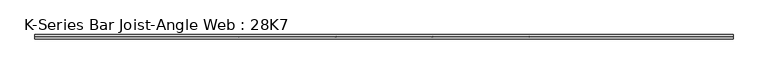
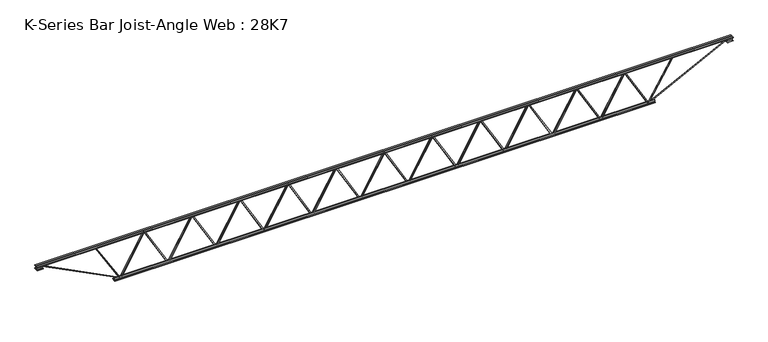
"""IFC4 building model written with IfcOpenShell, lengths in millimetres: beam geometry, K-Series Bar Joist-Angle Web : 28K7."""

from ifc_helpers import new_model, si_unit, frame, origin, place, context, project, spatial, polyline, outline, extrude, faceted_brep, source, transform, mapped, element, save


def k_series_bar_joist_angle_web_28k7_4ce45398(model_context):
    return source(origin(), model_context, "Body", "SolidModel", [
        extrude(outline(polyline([(-4.7625, 4.7625), (-4.7625, 0.0), (-17.4625, 0.0), (-17.4625, 4.7625), (-4.7625, 4.7625)])), frame((3648.3046337, 0.0, -317.5), z_axis=(-0.5002639369476142, 0.0, 0.8658729660808644), x_axis=(0.0, -1.0, 0.0)), (0.0, 0.0, 1.0), 733.3639285),
        extrude(outline(polyline([(-352.425, 3680.3301136), (-333.375, 3680.3301136), (-333.375, 3679.4774397), (352.425, 3283.2518715), (352.425, 3265.0545455), (333.375, 3265.0545455), (333.375, 3272.2572194), (-352.425, 3668.4827876), (-352.425, 3680.3301136)])), frame((0.0, 0.0, 0.0), z_axis=(0.0, 1.0, 0.0), x_axis=(0.0, 0.0, 1.0)), (0.0, 0.0, 1.0), 4.7625),
        faceted_brep([(2862.4789773, 0.0, -333.375), (2862.4789773, 0.0, -352.425), (2862.4789773, -4.7625, -352.425), (2862.4789773, -4.7625, -333.375), (2863.3316512, 0.0, -333.375), (3259.5572194, 0.0, 352.425), (3277.7545455, 0.0, 352.425), (3277.7545455, 0.0, 333.375), (3270.5518715, 0.0, 333.375), (2874.3263033, 0.0, -352.425), (2874.3263033, -4.7625, -352.425), (2894.5044572, -4.7625, -317.5), (2890.3807372, -4.7625, -315.117493), (3257.2562633, -4.7625, 319.882507), (3261.3799833, -4.7625, 317.5), (3270.5518715, -4.7625, 333.375), (3277.7545455, -4.7625, 333.375), (3277.7545455, -4.7625, 352.425), (3259.5572194, -4.7625, 352.425), (2863.3316512, -4.7625, -333.375), (3261.3799833, -17.4625, 317.5), (2894.5044572, -17.4625, -317.5), (2890.3807372, -17.4625, -315.117493), (3257.2562633, -17.4625, 319.882507)], [[[0, 1, 2, 3]], [[1, 0, 4, 5, 6, 7, 8, 9]], [[2, 1, 9, 10]], [[3, 2, 10, 11, 12, 13, 14, 15, 16, 17, 18, 19]], [[0, 3, 19, 4]], [[9, 8, 15, 14, 20, 21, 11, 10]], [[5, 4, 19, 18]], [[7, 6, 17, 16]], [[8, 7, 16, 15]], [[6, 5, 18, 17]], [[21, 22, 12, 11]], [[20, 14, 13, 23]], [[22, 21, 20, 23]], [[12, 22, 23, 13]]]),
        extrude(outline(polyline([(-4.7625, 4.7625), (-4.7625, 0.0), (-17.4625, 0.0), (-17.4625, 4.7625), (-4.7625, 4.7625)])), frame((2830.4534973, 0.0, -317.5), z_axis=(-0.5002639369476142, 0.0, 0.8658729660808644), x_axis=(0.0, -1.0, 0.0)), (0.0, 0.0, 1.0), 733.3639285),
        extrude(outline(polyline([(-352.425, 2862.4789773), (-333.375, 2862.4789773), (-333.375, 2861.6263033), (352.425, 2465.4007351), (352.425, 2447.2034091), (333.375, 2447.2034091), (333.375, 2454.4060831), (-352.425, 2850.6316512), (-352.425, 2862.4789773)])), frame((0.0, 0.0, 0.0), z_axis=(0.0, 1.0, 0.0), x_axis=(0.0, 0.0, 1.0)), (0.0, 0.0, 1.0), 4.7625),
        faceted_brep([(2044.6278409, 0.0, -333.375), (2044.6278409, 0.0, -352.425), (2044.6278409, -4.7625, -352.425), (2044.6278409, -4.7625, -333.375), (2045.4805149, 0.0, -333.375), (2441.7060831, 0.0, 352.425), (2459.9034091, 0.0, 352.425), (2459.9034091, 0.0, 333.375), (2452.7007351, 0.0, 333.375), (2056.4751669, 0.0, -352.425), (2056.4751669, -4.7625, -352.425), (2076.6533209, -4.7625, -317.5), (2072.5296009, -4.7625, -315.117493), (2439.405127, -4.7625, 319.882507), (2443.528847, -4.7625, 317.5), (2452.7007351, -4.7625, 333.375), (2459.9034091, -4.7625, 333.375), (2459.9034091, -4.7625, 352.425), (2441.7060831, -4.7625, 352.425), (2045.4805149, -4.7625, -333.375), (2443.528847, -17.4625, 317.5), (2076.6533209, -17.4625, -317.5), (2072.5296009, -17.4625, -315.117493), (2439.405127, -17.4625, 319.882507)], [[[0, 1, 2, 3]], [[1, 0, 4, 5, 6, 7, 8, 9]], [[2, 1, 9, 10]], [[3, 2, 10, 11, 12, 13, 14, 15, 16, 17, 18, 19]], [[0, 3, 19, 4]], [[9, 8, 15, 14, 20, 21, 11, 10]], [[5, 4, 19, 18]], [[7, 6, 17, 16]], [[8, 7, 16, 15]], [[6, 5, 18, 17]], [[21, 22, 12, 11]], [[20, 14, 13, 23]], [[22, 21, 20, 23]], [[12, 22, 23, 13]]]),
        extrude(outline(polyline([(-4.7625, 4.7625), (-4.7625, 0.0), (-17.4625, 0.0), (-17.4625, 4.7625), (-4.7625, 4.7625)])), frame((2012.6023609, 0.0, -317.5), z_axis=(-0.5002639369476142, 0.0, 0.8658729660808644), x_axis=(0.0, -1.0, 0.0)), (0.0, 0.0, 1.0), 733.3639285),
        extrude(outline(polyline([(-352.425, 2044.6278409), (-333.375, 2044.6278409), (-333.375, 2043.7751669), (352.425, 1647.5495988), (352.425, 1629.3522727), (333.375, 1629.3522727), (333.375, 1636.5549467), (-352.425, 2032.7805149), (-352.425, 2044.6278409)])), frame((0.0, 0.0, 0.0), z_axis=(0.0, 1.0, 0.0), x_axis=(0.0, 0.0, 1.0)), (0.0, 0.0, 1.0), 4.7625),
        faceted_brep([(1226.7767045, 0.0, -333.375), (1226.7767045, 0.0, -352.425), (1226.7767045, -4.7625, -352.425), (1226.7767045, -4.7625, -333.375), (1227.6293785, 0.0, -333.375), (1623.8549467, 0.0, 352.425), (1642.0522727, 0.0, 352.425), (1642.0522727, 0.0, 333.375), (1634.8495988, 0.0, 333.375), (1238.6240306, 0.0, -352.425), (1238.6240306, -4.7625, -352.425), (1258.8021845, -4.7625, -317.5), (1254.6784645, -4.7625, -315.117493), (1621.5539906, -4.7625, 319.882507), (1625.6777106, -4.7625, 317.5), (1634.8495988, -4.7625, 333.375), (1642.0522727, -4.7625, 333.375), (1642.0522727, -4.7625, 352.425), (1623.8549467, -4.7625, 352.425), (1227.6293785, -4.7625, -333.375), (1625.6777106, -17.4625, 317.5), (1258.8021845, -17.4625, -317.5), (1254.6784645, -17.4625, -315.117493), (1621.5539906, -17.4625, 319.882507)], [[[0, 1, 2, 3]], [[1, 0, 4, 5, 6, 7, 8, 9]], [[2, 1, 9, 10]], [[3, 2, 10, 11, 12, 13, 14, 15, 16, 17, 18, 19]], [[0, 3, 19, 4]], [[9, 8, 15, 14, 20, 21, 11, 10]], [[5, 4, 19, 18]], [[7, 6, 17, 16]], [[8, 7, 16, 15]], [[6, 5, 18, 17]], [[21, 22, 12, 11]], [[20, 14, 13, 23]], [[22, 21, 20, 23]], [[12, 22, 23, 13]]]),
        extrude(outline(polyline([(-4.7625, 4.7625), (-4.7625, 0.0), (-17.4625, 0.0), (-17.4625, 4.7625), (-4.7625, 4.7625)])), frame((1194.7512246, 0.0, -317.5), z_axis=(-0.5002639369476142, 0.0, 0.8658729660808644), x_axis=(0.0, -1.0, 0.0)), (0.0, 0.0, 1.0), 733.3639285),
        extrude(outline(polyline([(-352.425, 1226.7767045), (-333.375, 1226.7767045), (-333.375, 1225.9240306), (352.425, 829.6984624), (352.425, 811.5011364), (333.375, 811.5011364), (333.375, 818.7038103), (-352.425, 1214.9293785), (-352.425, 1226.7767045)])), frame((0.0, 0.0, 0.0), z_axis=(0.0, 1.0, 0.0), x_axis=(0.0, 0.0, 1.0)), (0.0, 0.0, 1.0), 4.7625),
        faceted_brep([(408.9255682, 0.0, -333.375), (408.9255682, 0.0, -352.425), (408.9255682, -4.7625, -352.425), (408.9255682, -4.7625, -333.375), (409.7782421, 0.0, -333.375), (806.0038103, 0.0, 352.425), (824.2011364, 0.0, 352.425), (824.2011364, 0.0, 333.375), (816.9984624, 0.0, 333.375), (420.7728942, 0.0, -352.425), (420.7728942, -4.7625, -352.425), (440.9510482, -4.7625, -317.5), (436.8273282, -4.7625, -315.117493), (803.7028542, -4.7625, 319.882507), (807.8265742, -4.7625, 317.5), (816.9984624, -4.7625, 333.375), (824.2011364, -4.7625, 333.375), (824.2011364, -4.7625, 352.425), (806.0038103, -4.7625, 352.425), (409.7782421, -4.7625, -333.375), (807.8265742, -17.4625, 317.5), (440.9510482, -17.4625, -317.5), (436.8273282, -17.4625, -315.117493), (803.7028542, -17.4625, 319.882507)], [[[0, 1, 2, 3]], [[1, 0, 4, 5, 6, 7, 8, 9]], [[2, 1, 9, 10]], [[3, 2, 10, 11, 12, 13, 14, 15, 16, 17, 18, 19]], [[0, 3, 19, 4]], [[9, 8, 15, 14, 20, 21, 11, 10]], [[5, 4, 19, 18]], [[7, 6, 17, 16]], [[8, 7, 16, 15]], [[6, 5, 18, 17]], [[21, 22, 12, 11]], [[20, 14, 13, 23]], [[22, 21, 20, 23]], [[12, 22, 23, 13]]]),
        extrude(outline(polyline([(-4.7625, 4.7625), (-4.7625, 0.0), (-17.4625, 0.0), (-17.4625, 4.7625), (-4.7625, 4.7625)])), frame((376.9000882, 0.0, -317.5), z_axis=(-0.5002639369476142, 0.0, 0.8658729660808644), x_axis=(0.0, -1.0, 0.0)), (0.0, 0.0, 1.0), 733.3639285),
        extrude(outline(polyline([(-352.425, 408.9255682), (-333.375, 408.9255682), (-333.375, 408.0728942), (352.425, 11.847326), (352.425, -6.35), (333.375, -6.35), (333.375, 0.852674), (-352.425, 397.0782421), (-352.425, 408.9255682)])), frame((0.0, 0.0, 0.0), z_axis=(0.0, 1.0, 0.0), x_axis=(0.0, 0.0, 1.0)), (0.0, 0.0, 1.0), 4.7625),
        faceted_brep([(-408.9255682, 0.0, -333.375), (-408.9255682, 0.0, -352.425), (-408.9255682, -4.7625, -352.425), (-408.9255682, -4.7625, -333.375), (-408.0728942, 0.0, -333.375), (-11.847326, 0.0, 352.425), (6.35, 0.0, 352.425), (6.35, 0.0, 333.375), (-0.852674, 0.0, 333.375), (-397.0782421, 0.0, -352.425), (-397.0782421, -4.7625, -352.425), (-376.9000882, -4.7625, -317.5), (-381.0238082, -4.7625, -315.117493), (-14.1482821, -4.7625, 319.882507), (-10.0245621, -4.7625, 317.5), (-0.852674, -4.7625, 333.375), (6.35, -4.7625, 333.375), (6.35, -4.7625, 352.425), (-11.847326, -4.7625, 352.425), (-408.0728942, -4.7625, -333.375), (-10.0245621, -17.4625, 317.5), (-376.9000882, -17.4625, -317.5), (-381.0238082, -17.4625, -315.117493), (-14.1482821, -17.4625, 319.882507)], [[[0, 1, 2, 3]], [[1, 0, 4, 5, 6, 7, 8, 9]], [[2, 1, 9, 10]], [[3, 2, 10, 11, 12, 13, 14, 15, 16, 17, 18, 19]], [[0, 3, 19, 4]], [[9, 8, 15, 14, 20, 21, 11, 10]], [[5, 4, 19, 18]], [[7, 6, 17, 16]], [[8, 7, 16, 15]], [[6, 5, 18, 17]], [[21, 22, 12, 11]], [[20, 14, 13, 23]], [[22, 21, 20, 23]], [[12, 22, 23, 13]]]),
        extrude(outline(polyline([(-4.7625, 4.7625), (-4.7625, 0.0), (-17.4625, 0.0), (-17.4625, 4.7625), (-4.7625, 4.7625)])), frame((-440.9510482, 0.0, -317.5), z_axis=(-0.5002639369476142, 0.0, 0.8658729660808644), x_axis=(0.0, -1.0, 0.0)), (0.0, 0.0, 1.0), 733.3639285),
        extrude(outline(polyline([(-352.425, -408.9255682), (-333.375, -408.9255682), (-333.375, -409.7782421), (352.425, -806.0038103), (352.425, -824.2011364), (333.375, -824.2011364), (333.375, -816.9984624), (-352.425, -420.7728942), (-352.425, -408.9255682)])), frame((0.0, 0.0, 0.0), z_axis=(0.0, 1.0, 0.0), x_axis=(0.0, 0.0, 1.0)), (0.0, 0.0, 1.0), 4.7625),
        faceted_brep([(-1226.7767045, 0.0, -333.375), (-1226.7767045, 0.0, -352.425), (-1226.7767045, -4.7625, -352.425), (-1226.7767045, -4.7625, -333.375), (-1225.9240306, 0.0, -333.375), (-829.6984624, 0.0, 352.425), (-811.5011364, 0.0, 352.425), (-811.5011364, 0.0, 333.375), (-818.7038103, 0.0, 333.375), (-1214.9293785, 0.0, -352.425), (-1214.9293785, -4.7625, -352.425), (-1194.7512246, -4.7625, -317.5), (-1198.8749446, -4.7625, -315.117493), (-831.9994185, -4.7625, 319.882507), (-827.8756985, -4.7625, 317.5), (-818.7038103, -4.7625, 333.375), (-811.5011364, -4.7625, 333.375), (-811.5011364, -4.7625, 352.425), (-829.6984624, -4.7625, 352.425), (-1225.9240306, -4.7625, -333.375), (-827.8756985, -17.4625, 317.5), (-1194.7512246, -17.4625, -317.5), (-1198.8749446, -17.4625, -315.117493), (-831.9994185, -17.4625, 319.882507)], [[[0, 1, 2, 3]], [[1, 0, 4, 5, 6, 7, 8, 9]], [[2, 1, 9, 10]], [[3, 2, 10, 11, 12, 13, 14, 15, 16, 17, 18, 19]], [[0, 3, 19, 4]], [[9, 8, 15, 14, 20, 21, 11, 10]], [[5, 4, 19, 18]], [[7, 6, 17, 16]], [[8, 7, 16, 15]], [[6, 5, 18, 17]], [[21, 22, 12, 11]], [[20, 14, 13, 23]], [[22, 21, 20, 23]], [[12, 22, 23, 13]]]),
        extrude(outline(polyline([(-4.7625, 4.7625), (-4.7625, 0.0), (-17.4625, 0.0), (-17.4625, 4.7625), (-4.7625, 4.7625)])), frame((-1258.8021845, 0.0, -317.5), z_axis=(-0.5002639369476142, 0.0, 0.8658729660808644), x_axis=(0.0, -1.0, 0.0)), (0.0, 0.0, 1.0), 733.3639285),
        extrude(outline(polyline([(-352.425, -1226.7767045), (-333.375, -1226.7767045), (-333.375, -1227.6293785), (352.425, -1623.8549467), (352.425, -1642.0522727), (333.375, -1642.0522727), (333.375, -1634.8495988), (-352.425, -1238.6240306), (-352.425, -1226.7767045)])), frame((0.0, 0.0, 0.0), z_axis=(0.0, 1.0, 0.0), x_axis=(0.0, 0.0, 1.0)), (0.0, 0.0, 1.0), 4.7625),
        faceted_brep([(-2044.6278409, 0.0, -333.375), (-2044.6278409, 0.0, -352.425), (-2044.6278409, -4.7625, -352.425), (-2044.6278409, -4.7625, -333.375), (-2043.7751669, 0.0, -333.375), (-1647.5495988, 0.0, 352.425), (-1629.3522727, 0.0, 352.425), (-1629.3522727, 0.0, 333.375), (-1636.5549467, 0.0, 333.375), (-2032.7805149, 0.0, -352.425), (-2032.7805149, -4.7625, -352.425), (-2012.6023609, -4.7625, -317.5), (-2016.7260809, -4.7625, -315.117493), (-1649.8505548, -4.7625, 319.882507), (-1645.7268348, -4.7625, 317.5), (-1636.5549467, -4.7625, 333.375), (-1629.3522727, -4.7625, 333.375), (-1629.3522727, -4.7625, 352.425), (-1647.5495988, -4.7625, 352.425), (-2043.7751669, -4.7625, -333.375), (-1645.7268348, -17.4625, 317.5), (-2012.6023609, -17.4625, -317.5), (-2016.7260809, -17.4625, -315.117493), (-1649.8505548, -17.4625, 319.882507)], [[[0, 1, 2, 3]], [[1, 0, 4, 5, 6, 7, 8, 9]], [[2, 1, 9, 10]], [[3, 2, 10, 11, 12, 13, 14, 15, 16, 17, 18, 19]], [[0, 3, 19, 4]], [[9, 8, 15, 14, 20, 21, 11, 10]], [[5, 4, 19, 18]], [[7, 6, 17, 16]], [[8, 7, 16, 15]], [[6, 5, 18, 17]], [[21, 22, 12, 11]], [[20, 14, 13, 23]], [[22, 21, 20, 23]], [[12, 22, 23, 13]]]),
        extrude(outline(polyline([(-4.7625, 4.7625), (-4.7625, 0.0), (-17.4625, 0.0), (-17.4625, 4.7625), (-4.7625, 4.7625)])), frame((-2076.6533209, 0.0, -317.5), z_axis=(-0.5002639369476142, 0.0, 0.8658729660808644), x_axis=(0.0, -1.0, 0.0)), (0.0, 0.0, 1.0), 733.3639285),
        extrude(outline(polyline([(-352.425, -2044.6278409), (-333.375, -2044.6278409), (-333.375, -2045.4805149), (352.425, -2441.7060831), (352.425, -2459.9034091), (333.375, -2459.9034091), (333.375, -2452.7007351), (-352.425, -2056.4751669), (-352.425, -2044.6278409)])), frame((0.0, 0.0, 0.0), z_axis=(0.0, 1.0, 0.0), x_axis=(0.0, 0.0, 1.0)), (0.0, 0.0, 1.0), 4.7625),
        faceted_brep([(-2862.4789773, 0.0, -333.375), (-2862.4789773, 0.0, -352.425), (-2862.4789773, -4.7625, -352.425), (-2862.4789773, -4.7625, -333.375), (-2861.6263033, 0.0, -333.375), (-2465.4007351, 0.0, 352.425), (-2447.2034091, 0.0, 352.425), (-2447.2034091, 0.0, 333.375), (-2454.4060831, 0.0, 333.375), (-2850.6316512, 0.0, -352.425), (-2850.6316512, -4.7625, -352.425), (-2830.4534973, -4.7625, -317.5), (-2834.5772173, -4.7625, -315.117493), (-2467.7016912, -4.7625, 319.882507), (-2463.5779712, -4.7625, 317.5), (-2454.4060831, -4.7625, 333.375), (-2447.2034091, -4.7625, 333.375), (-2447.2034091, -4.7625, 352.425), (-2465.4007351, -4.7625, 352.425), (-2861.6263033, -4.7625, -333.375), (-2463.5779712, -17.4625, 317.5), (-2830.4534973, -17.4625, -317.5), (-2834.5772173, -17.4625, -315.117493), (-2467.7016912, -17.4625, 319.882507)], [[[0, 1, 2, 3]], [[1, 0, 4, 5, 6, 7, 8, 9]], [[2, 1, 9, 10]], [[3, 2, 10, 11, 12, 13, 14, 15, 16, 17, 18, 19]], [[0, 3, 19, 4]], [[9, 8, 15, 14, 20, 21, 11, 10]], [[5, 4, 19, 18]], [[7, 6, 17, 16]], [[8, 7, 16, 15]], [[6, 5, 18, 17]], [[21, 22, 12, 11]], [[20, 14, 13, 23]], [[22, 21, 20, 23]], [[12, 22, 23, 13]]]),
        extrude(outline(polyline([(-4.7625, 4.7625), (-4.7625, 0.0), (-17.4625, 0.0), (-17.4625, 4.7625), (-4.7625, 4.7625)])), frame((-2894.5044572, 0.0, -317.5), z_axis=(-0.5002639369476142, 0.0, 0.8658729660808644), x_axis=(0.0, -1.0, 0.0)), (0.0, 0.0, 1.0), 733.3639285),
        extrude(outline(polyline([(-352.425, -2862.4789773), (-333.375, -2862.4789773), (-333.375, -2863.3316512), (352.425, -3259.5572194), (352.425, -3277.7545455), (333.375, -3277.7545455), (333.375, -3270.5518715), (-352.425, -2874.3263033), (-352.425, -2862.4789773)])), frame((0.0, 0.0, 0.0), z_axis=(0.0, 1.0, 0.0), x_axis=(0.0, 0.0, 1.0)), (0.0, 0.0, 1.0), 4.7625),
        faceted_brep([(-3680.3301136, 0.0, -333.375), (-3680.3301136, 0.0, -352.425), (-3680.3301136, -4.7625, -352.425), (-3680.3301136, -4.7625, -333.375), (-3679.4774397, 0.0, -333.375), (-3283.2518715, 0.0, 352.425), (-3265.0545455, 0.0, 352.425), (-3265.0545455, 0.0, 333.375), (-3272.2572194, 0.0, 333.375), (-3668.4827876, 0.0, -352.425), (-3668.4827876, -4.7625, -352.425), (-3648.3046337, -4.7625, -317.5), (-3652.4283537, -4.7625, -315.117493), (-3285.5528276, -4.7625, 319.882507), (-3281.4291076, -4.7625, 317.5), (-3272.2572194, -4.7625, 333.375), (-3265.0545455, -4.7625, 333.375), (-3265.0545455, -4.7625, 352.425), (-3283.2518715, -4.7625, 352.425), (-3679.4774397, -4.7625, -333.375), (-3281.4291076, -17.4625, 317.5), (-3648.3046337, -17.4625, -317.5), (-3652.4283537, -17.4625, -315.117493), (-3285.5528276, -17.4625, 319.882507)], [[[0, 1, 2, 3]], [[1, 0, 4, 5, 6, 7, 8, 9]], [[2, 1, 9, 10]], [[3, 2, 10, 11, 12, 13, 14, 15, 16, 17, 18, 19]], [[0, 3, 19, 4]], [[9, 8, 15, 14, 20, 21, 11, 10]], [[5, 4, 19, 18]], [[7, 6, 17, 16]], [[8, 7, 16, 15]], [[6, 5, 18, 17]], [[21, 22, 12, 11]], [[20, 14, 13, 23]], [[22, 21, 20, 23]], [[12, 22, 23, 13]]]),
        extrude(outline(polyline([(-4.7625, 4.7625), (-4.7625, 0.0), (-17.4625, 0.0), (-17.4625, 4.7625), (-4.7625, 4.7625)])), frame((4466.15577, 0.0, -317.5), z_axis=(-0.5002639369476142, 0.0, 0.8658729660808644), x_axis=(0.0, -1.0, 0.0)), (0.0, 0.0, 1.0), 733.3639285),
        extrude(outline(polyline([(-352.425, 4498.18125), (-333.375, 4498.18125), (-333.375, 4497.328576), (352.425, 4101.1030079), (352.425, 4082.9056818), (333.375, 4082.9056818), (333.375, 4090.1083558), (-352.425, 4486.333924), (-352.425, 4498.18125)])), frame((0.0, 0.0, 0.0), z_axis=(0.0, 1.0, 0.0), x_axis=(0.0, 0.0, 1.0)), (0.0, 0.0, 1.0), 4.7625),
        faceted_brep([(3680.3301136, 0.0, -333.375), (3680.3301136, 0.0, -352.425), (3680.3301136, -4.7625, -352.425), (3680.3301136, -4.7625, -333.375), (3681.1827876, 0.0, -333.375), (4077.4083558, 0.0, 352.425), (4095.6056818, 0.0, 352.425), (4095.6056818, 0.0, 333.375), (4088.4030079, 0.0, 333.375), (3692.1774397, 0.0, -352.425), (3692.1774397, -4.7625, -352.425), (3712.3555936, -4.7625, -317.5), (3708.2318736, -4.7625, -315.117493), (4075.1073997, -4.7625, 319.882507), (4079.2311197, -4.7625, 317.5), (4088.4030079, -4.7625, 333.375), (4095.6056818, -4.7625, 333.375), (4095.6056818, -4.7625, 352.425), (4077.4083558, -4.7625, 352.425), (3681.1827876, -4.7625, -333.375), (4079.2311197, -17.4625, 317.5), (3712.3555936, -17.4625, -317.5), (3708.2318736, -17.4625, -315.117493), (4075.1073997, -17.4625, 319.882507)], [[[0, 1, 2, 3]], [[1, 0, 4, 5, 6, 7, 8, 9]], [[2, 1, 9, 10]], [[3, 2, 10, 11, 12, 13, 14, 15, 16, 17, 18, 19]], [[0, 3, 19, 4]], [[9, 8, 15, 14, 20, 21, 11, 10]], [[5, 4, 19, 18]], [[7, 6, 17, 16]], [[8, 7, 16, 15]], [[6, 5, 18, 17]], [[21, 22, 12, 11]], [[20, 14, 13, 23]], [[22, 21, 20, 23]], [[12, 22, 23, 13]]]),
        extrude(outline(polyline([(-4.7625, 4.7625), (-4.7625, 0.0), (-17.4625, 0.0), (-17.4625, 4.7625), (-4.7625, 4.7625)])), frame((-3712.3555936, 0.0, -317.5), z_axis=(-0.5002639369476142, 0.0, 0.8658729660808644), x_axis=(0.0, -1.0, 0.0)), (0.0, 0.0, 1.0), 733.3639285),
        extrude(outline(polyline([(-352.425, -3680.3301136), (-333.375, -3680.3301136), (-333.375, -3681.1827876), (352.425, -4077.4083558), (352.425, -4095.6056818), (333.375, -4095.6056818), (333.375, -4088.4030079), (-352.425, -3692.1774397), (-352.425, -3680.3301136)])), frame((0.0, 0.0, 0.0), z_axis=(0.0, 1.0, 0.0), x_axis=(0.0, 0.0, 1.0)), (0.0, 0.0, 1.0), 4.7625),
        faceted_brep([(-4498.18125, 0.0, -333.375), (-4498.18125, 0.0, -352.425), (-4498.18125, -4.7625, -352.425), (-4498.18125, -4.7625, -333.375), (-4497.328576, 0.0, -333.375), (-4101.1030079, 0.0, 352.425), (-4082.9056818, 0.0, 352.425), (-4082.9056818, 0.0, 333.375), (-4090.1083558, 0.0, 333.375), (-4486.333924, 0.0, -352.425), (-4486.333924, -4.7625, -352.425), (-4466.15577, -4.7625, -317.5), (-4470.27949, -4.7625, -315.117493), (-4103.4039639, -4.7625, 319.882507), (-4099.2802439, -4.7625, 317.5), (-4090.1083558, -4.7625, 333.375), (-4082.9056818, -4.7625, 333.375), (-4082.9056818, -4.7625, 352.425), (-4101.1030079, -4.7625, 352.425), (-4497.328576, -4.7625, -333.375), (-4099.2802439, -17.4625, 317.5), (-4466.15577, -17.4625, -317.5), (-4470.27949, -17.4625, -315.117493), (-4103.4039639, -17.4625, 319.882507)], [[[0, 1, 2, 3]], [[1, 0, 4, 5, 6, 7, 8, 9]], [[2, 1, 9, 10]], [[3, 2, 10, 11, 12, 13, 14, 15, 16, 17, 18, 19]], [[0, 3, 19, 4]], [[9, 8, 15, 14, 20, 21, 11, 10]], [[5, 4, 19, 18]], [[7, 6, 17, 16]], [[8, 7, 16, 15]], [[6, 5, 18, 17]], [[21, 22, 12, 11]], [[20, 14, 13, 23]], [[22, 21, 20, 23]], [[12, 22, 23, 13]]]),
        extrude(outline(polyline([(4.7625, 355.6), (36.5125, 355.6), (36.5125, 349.25), (11.1125, 349.25), (11.1125, 323.85), (4.7625, 323.85), (4.7625, 355.6)])), frame((-5920.58125, 0.0, 0.0), z_axis=(1.0, 0.0, 0.0), x_axis=(0.0, 1.0, 0.0)), (0.0, 0.0, 1.0), 11841.1625),
        extrude(outline(polyline([(-4.7625, 355.6), (-4.7625, 323.85), (-11.1125, 323.85), (-11.1125, 349.25), (-36.5125, 349.25), (-36.5125, 355.6), (-4.7625, 355.6)])), frame((-5920.58125, 0.0, 0.0), z_axis=(1.0, 0.0, 0.0), x_axis=(0.0, 1.0, 0.0)), (0.0, 0.0, 1.0), 11841.1625),
        extrude(outline(polyline([(-4.7625, 292.1), (-36.5125, 292.1), (-36.5125, 298.45), (-11.1125, 298.45), (-11.1125, 323.85), (-4.7625, 323.85), (-4.7625, 292.1)])), frame((-5920.58125, 0.0, 0.0), z_axis=(1.0, 0.0, 0.0), x_axis=(0.0, 1.0, 0.0)), (0.0, 0.0, 1.0), 101.6),
        extrude(outline(polyline([(36.5125, 292.1), (4.7625, 292.1), (4.7625, 323.85), (11.1125, 323.85), (11.1125, 298.45), (36.5125, 298.45), (36.5125, 292.1)])), frame((-5920.58125, 0.0, 0.0), z_axis=(1.0, 0.0, 0.0), x_axis=(0.0, 1.0, 0.0)), (0.0, 0.0, 1.0), 101.6),
        extrude(outline(polyline([(4.7625, 292.1), (4.7625, 323.85), (11.1125, 323.85), (11.1125, 298.45), (36.5125, 298.45), (36.5125, 292.1), (4.7625, 292.1)])), frame((5818.98125, 0.0, 0.0), z_axis=(1.0, 0.0, 0.0), x_axis=(0.0, 1.0, 0.0)), (0.0, 0.0, 1.0), 101.6),
        extrude(outline(polyline([(-4.7625, 292.1), (-36.5125, 292.1), (-36.5125, 298.45), (-11.1125, 298.45), (-11.1125, 323.85), (-4.7625, 323.85), (-4.7625, 292.1)])), frame((5818.98125, 0.0, 0.0), z_axis=(1.0, 0.0, 0.0), x_axis=(0.0, 1.0, 0.0)), (0.0, 0.0, 1.0), 101.6),
        extrude(outline(polyline([(4.7625, -355.6), (4.7625, -323.85), (11.1125, -323.85), (11.1125, -349.25), (36.5125, -349.25), (36.5125, -355.6), (4.7625, -355.6)])), frame((-4599.78125, 0.0, 0.0), z_axis=(1.0, 0.0, 0.0), x_axis=(0.0, 1.0, 0.0)), (0.0, 0.0, 1.0), 9199.5625),
        extrude(outline(polyline([(-4.7625, -355.6), (-36.5125, -355.6), (-36.5125, -349.25), (-11.1125, -349.25), (-11.1125, -323.85), (-4.7625, -323.85), (-4.7625, -355.6)])), frame((-4599.78125, 0.0, 0.0), z_axis=(1.0, 0.0, 0.0), x_axis=(0.0, 1.0, 0.0)), (0.0, 0.0, 1.0), 9199.5625),
        extrude(outline(polyline([(4.7625, 4.7625), (4.7625, -4.7625), (-4.7625, -4.7625), (-4.7625, 4.7625), (4.7625, 4.7625)])), frame((4498.18125, 0.0, -349.25), z_axis=(0.5192171999530699, 0.0, 0.854642322420844), x_axis=(0.0, -1.0, 0.0)), (0.0, 0.0, 1.0), 787.5809357),
        extrude(outline(polyline([(4.7625, 4.7625), (4.7625, -4.7625), (-4.7625, -4.7625), (-4.7625, 4.7625), (4.7625, 4.7625)])), frame((-4498.18125, 0.0, -349.25), z_axis=(-0.5192171999530514, 0.0, 0.8546423224208552), x_axis=(0.0, -1.0, 0.0)), (0.0, 0.0, 1.0), 787.5809357),
        extrude(outline(polyline([(0.0, -9.525), (0.0, 0.0), (1482.4224263, 0.0), (1482.4224263, -9.525), (0.0, -9.525)])), frame((5821.1436827, -4.7625, 319.6067358), z_axis=(-0.45405411309056853, 0.0, 0.8909741087066095), x_axis=(-0.8909741087066095, 0.0, -0.45405411309056853)), (0.0, 0.0, 1.0), 9.525),
        extrude(outline(polyline([(0.0, -9.525), (0.0, 0.0), (1482.4224263, 0.0), (1482.4224263, -9.525), (0.0, -9.525)])), frame((-5821.1436827, 4.7625, 319.6067358), z_axis=(0.45405411309056776, 0.0, 0.8909741087066099), x_axis=(0.8909741087066099, 0.0, -0.45405411309056776)), (0.0, 0.0, 1.0), 9.525),
    ])


if __name__ == "__main__":
    model = new_model("IFC4")
    model_context = context("Model", 3, world=origin())
    ifc_project = project(units=[si_unit("LENGTHUNIT", "METRE", prefix="MILLI")], contexts=[model_context])
    site = spatial("IfcSite", under=ifc_project)
    building = spatial("IfcBuilding", under=site)
    placement = place(None, origin())
    k_series_bar_joist_angle_web_28k7_shape = k_series_bar_joist_angle_web_28k7_4ce45398(model_context)
    element("IfcBeam", 1, ObjectType="K-Series Bar Joist-Angle Web : 28K7", at=placement, inside=building, context=model_context, shape_type="MappedRepresentation", body=[
        mapped(k_series_bar_joist_angle_web_28k7_shape, transform((0.0, 0.0, 0.0), x_axis=(1.0, 0.0, 0.0), y_axis=(0.0, 1.0, 0.0), z_axis=(0.0, 0.0, 1.0))),
    ])
    save(model, "model.ifc")
